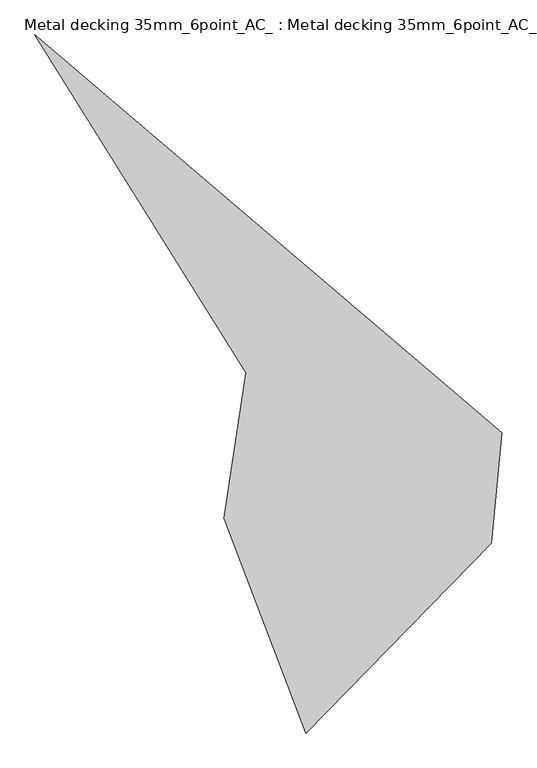
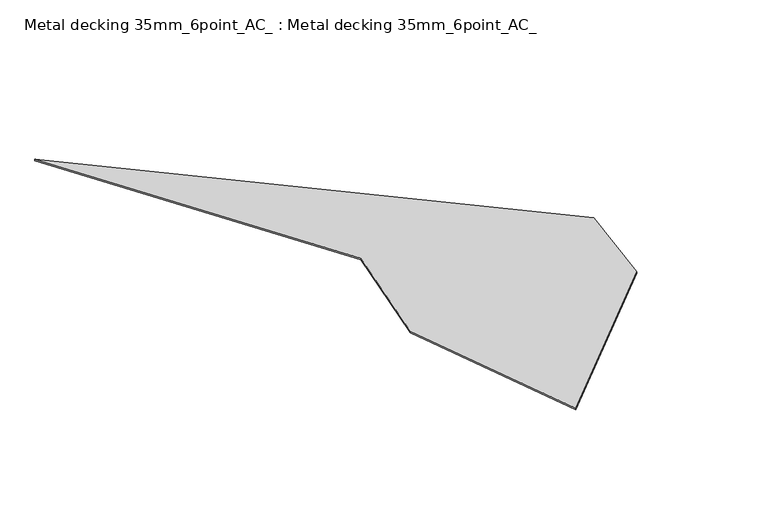
"""IFC4 building model written with IfcOpenShell, lengths in millimetres: proxy geometry, Metal decking 35mm_6point_AC_ : Metal decking 35mm_6point_AC_."""

from ifc_helpers import new_model, si_unit, origin, origin_with_axes, place, context, project, spatial, polyline, outline, extrude, source, transform, mapped, element, save


def metal_decking_35mm_6point_ac_metal_decking_35mm_6point_ac_dfa83a2f(model_context):
    return source(origin(), model_context, "Body", "SweptSolid", [
        extrude(outline(polyline([(-3251.7296111, -288.2144987), (-2873.9859449, 2178.426397), (-6456.0477283, 7900.1450019), (1462.1663126, 1160.9716208), (1283.880047, -715.5760122), (-1859.6505899, -3929.4730814), (-3251.7296111, -288.2144987)])), origin_with_axes(), (0.0, 0.0, 1.0), 35.0),
    ])


if __name__ == "__main__":
    model = new_model("IFC4")
    model_context = context("Model", 3, world=origin())
    ifc_project = project(units=[si_unit("LENGTHUNIT", "METRE", prefix="MILLI")], contexts=[model_context])
    site = spatial("IfcSite", under=ifc_project)
    building = spatial("IfcBuilding", under=site)
    placement = place(None, origin())
    metal_decking_35mm_6point_ac_metal_decking_35mm_6point_ac_shape = metal_decking_35mm_6point_ac_metal_decking_35mm_6point_ac_dfa83a2f(model_context)
    element("IfcBuildingElementProxy", 1, Name="Metal decking 35mm_6point_AC_ : Metal decking 35mm_6point_AC_", ObjectType="Metal decking 35mm_6point_AC_ : Metal decking 35mm_6point_AC_", at=placement, inside=building, context=model_context, shape_type="MappedRepresentation", body=[
        mapped(metal_decking_35mm_6point_ac_metal_decking_35mm_6point_ac_shape, transform((0.0, 0.0, 0.0), x_axis=(1.0, 0.0, 0.0), y_axis=(0.0, 1.0, 0.0), z_axis=(0.0, 0.0, 1.0))),
    ])
    save(model, "model.ifc")
